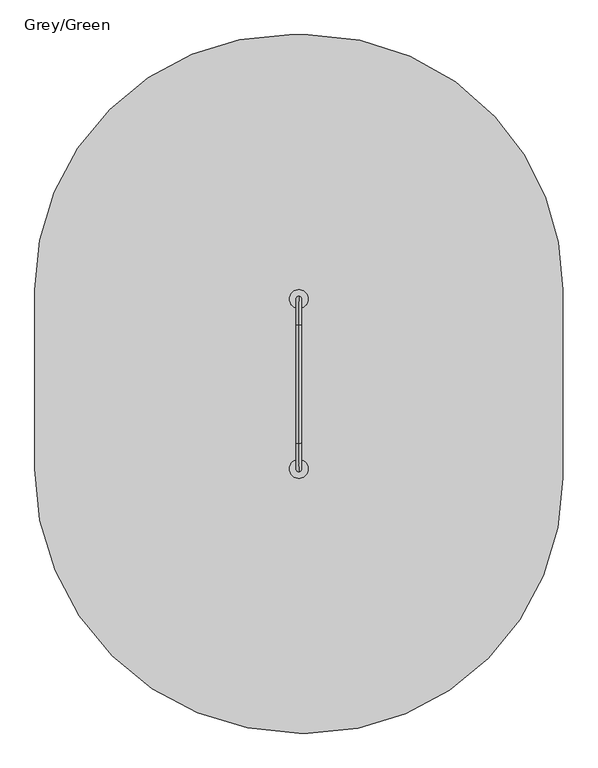
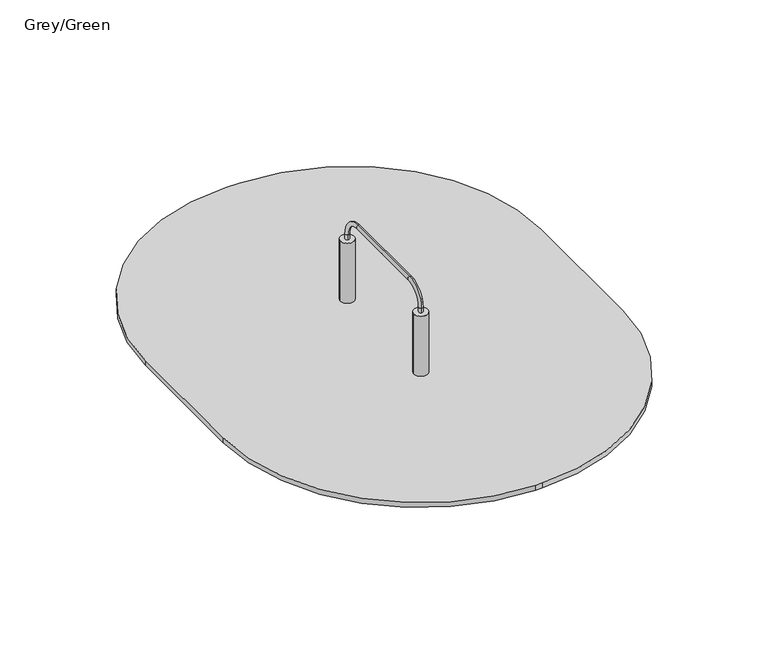
"""IFC4 building model written with IfcOpenShell, lengths in millimetres: furniture geometry, Grey/Green."""

from ifc_helpers import new_model, si_unit, point, frame, frame_2d, origin, place, context, project, spatial, polyline, circle_curve, ellipse_curve, trimmed, segment, composite_curve, outline, extrude, source, transform, mapped, element, save
from ifc_brep_helpers import plane_surface, cylinder_surface, revolved_surface, extruded_surface, advanced_brep


def grey_green_fb8099de(model_context):
    return source(origin(), model_context, "Body", "SolidModel", [
        advanced_brep(
        [(572.5, 1072.4599432, -225.0), (560.0, 1072.4599432, -225.0), (547.5, 1072.4599432, -225.0), (487.5, 1012.4599432, -225.0), (487.5, 987.4599432, -225.0), (547.5, 927.4599432, -225.0), (572.5, 927.4599432, -225.0), (632.5, 987.4599432, -225.0), (632.5, 1012.4599432, -225.0), (650.0, 1150.0, -460.0), (560.0, 1150.0, -460.0), (470.0, 1150.0, -460.0), (410.0, 1090.0, -460.0), (410.0, 910.0, -460.0), (470.0, 850.0, -460.0), (650.0, 850.0, -460.0), (710.0, 910.0, -460.0), (710.0, 1090.0, -460.0), (650.0, 1150.0, -600.0), (710.0, 1090.0, -600.0), (710.0, 910.0, -600.0), (650.0, 850.0, -600.0), (470.0, 850.0, -600.0), (410.0, 910.0, -600.0), (410.0, 1090.0, -600.0), (470.0, 1150.0, -600.0), (560.0, 1150.0, -600.0)],
        [
            (0, 1),
            (1, 2),
            (2, 3, circle_curve(frame((547.5, 1012.4599432, -225.0), z_axis=(0.0, 0.0, 1.0), x_axis=(1.0, 0.0, 0.0)), 60.0)),
            (3, 4),
            (4, 5, circle_curve(frame((547.5, 987.4599432, -225.0), z_axis=(0.0, 0.0, 1.0), x_axis=(1.0, 0.0, 0.0)), 60.0)),
            (5, 6),
            (6, 7, circle_curve(frame((572.5, 987.4599432, -225.0), z_axis=(0.0, 0.0, 1.0), x_axis=(1.0, 0.0, 0.0)), 60.0)),
            (7, 8),
            (8, 0, circle_curve(frame((572.5, 1012.4599432, -225.0), z_axis=(0.0, 0.0, 1.0), x_axis=(1.0, 0.0, 0.0)), 60.0)),
            (0, 9),
            (9, 10),
            (10, 1),
            (10, 11),
            (11, 2),
            (11, 12, circle_curve(frame((470.0, 1090.0, -460.0), z_axis=(0.0, 0.0, 1.0), x_axis=(1.0, 0.0, 0.0)), 60.0)),
            (12, 3),
            (12, 13),
            (13, 4),
            (13, 14, circle_curve(frame((470.0, 910.0, -460.0), z_axis=(0.0, 0.0, 1.0), x_axis=(1.0, 0.0, 0.0)), 60.0)),
            (14, 5),
            (14, 15),
            (15, 6),
            (15, 16, circle_curve(frame((650.0, 910.0, -460.0), z_axis=(0.0, 0.0, 1.0), x_axis=(1.0, 0.0, 0.0)), 60.0)),
            (16, 7),
            (16, 17),
            (17, 8),
            (17, 9, circle_curve(frame((650.0, 1090.0, -460.0), z_axis=(0.0, 0.0, 1.0), x_axis=(1.0, 0.0, 0.0)), 60.0)),
            (18, 19, circle_curve(frame((650.0, 1090.0, -600.0), z_axis=(0.0, 0.0, -1.0), x_axis=(1.0, 0.0, 0.0)), 60.0)),
            (19, 20),
            (20, 21, circle_curve(frame((650.0, 910.0, -600.0), z_axis=(0.0, 0.0, -1.0), x_axis=(1.0, 0.0, 0.0)), 60.0)),
            (21, 22),
            (22, 23, circle_curve(frame((470.0, 910.0, -600.0), z_axis=(0.0, 0.0, -1.0), x_axis=(1.0, 0.0, 0.0)), 60.0)),
            (23, 24),
            (24, 25, circle_curve(frame((470.0, 1090.0, -600.0), z_axis=(0.0, 0.0, -1.0), x_axis=(1.0, 0.0, 0.0)), 60.0)),
            (25, 26),
            (26, 18),
            (26, 10),
            (9, 18),
            (25, 11),
            (23, 13),
            (12, 24),
            (21, 15),
            (14, 22),
            (19, 17),
            (16, 20),
        ],
        [
            plane_surface(frame((560.0, 1008.0154988, -225.0), z_axis=(0.0, 0.0, 1.0), x_axis=(-1.0, 0.0, 0.0))),
            plane_surface(frame((566.25, 1072.4599432, -225.0), z_axis=(0.0, 0.9496406059136844, 0.3133412191204512), x_axis=(1.0, 0.0, 0.0))),
            plane_surface(frame((553.75, 1072.4599432, -225.0), z_axis=(0.0, 0.9496406059136843, 0.3133412191204512), x_axis=(1.0, 0.0, 0.0))),
            extruded_surface(trimmed(circle_curve(frame((547.5, 1012.4599432, -225.0), z_axis=(0.0, 0.0, -1.0), x_axis=(1.0, 0.0, 0.0)), 60.0), [point((487.5, 1012.4599432, -225.0))], [point((547.5, 1072.4599432, -225.0))], True, "CARTESIAN"), (-77.5, 77.5400568, -235.0), 259.3139225119763),
            plane_surface(frame((487.5, 999.9599432, -225.0), z_axis=(-0.9496887635303409, 0.0, 0.31319523052596476), x_axis=(0.0, 1.0, 0.0))),
            extruded_surface(trimmed(circle_curve(frame((547.5, 987.4599432, -225.0), z_axis=(0.0, 0.0, -1.0), x_axis=(1.0, 0.0, 0.0)), 60.0), [point((547.5, 927.4599432, -225.0))], [point((487.5, 987.4599432, -225.0))], True, "CARTESIAN"), (-77.5, -77.4599432, -235.0), 259.2899782107809),
            plane_surface(frame((560.0, 927.4599432, -225.0), z_axis=(0.0, -0.9497369035840961, 0.3130492197250991), x_axis=(-1.0, 0.0, 0.0))),
            extruded_surface(trimmed(circle_curve(frame((572.5, 987.4599432, -225.0), z_axis=(0.0, 0.0, -1.0), x_axis=(1.0, 0.0, 0.0)), 60.0), [point((632.5, 987.4599432, -225.0))], [point((572.5, 927.4599432, -225.0))], True, "CARTESIAN"), (77.5, -77.4599432, -235.0), 259.2899782107809),
            plane_surface(frame((632.5, 999.9599432, -225.0), z_axis=(0.9496887635303416, 0.0, 0.3131952305259627), x_axis=(0.0, -1.0, 0.0))),
            extruded_surface(trimmed(circle_curve(frame((572.5, 1012.4599432, -225.0), z_axis=(0.0, 0.0, -1.0), x_axis=(1.0, 0.0, 0.0)), 60.0), [point((572.5, 1072.4599432, -225.0))], [point((632.5, 1012.4599432, -225.0))], True, "CARTESIAN"), (77.5, 77.5400568, -235.0), 259.3139225119763),
            plane_surface(frame((560.0, 1150.0, -600.0), z_axis=(0.0, 0.0, -1.0), x_axis=(1.0, 0.0, 0.0))),
            plane_surface(frame((650.0, 1150.0, -460.0), z_axis=(0.0, 1.0, 0.0), x_axis=(0.0, 0.0, -1.0))),
            plane_surface(frame((560.0, 1150.0, -460.0), z_axis=(0.0, 1.0, 0.0), x_axis=(0.0, 0.0, -1.0))),
            plane_surface(frame((410.0, 1090.0, -460.0), z_axis=(-1.0, 0.0, 0.0), x_axis=(0.0, 0.0, -1.0))),
            plane_surface(frame((470.0, 850.0, -460.0), z_axis=(0.0, -1.0, 0.0), x_axis=(0.0, 0.0, -1.0))),
            plane_surface(frame((710.0, 910.0, -460.0), z_axis=(1.0, 0.0, 0.0), x_axis=(0.0, 0.0, -1.0))),
            cylinder_surface(frame((470.0, 1090.0, -600.0), z_axis=(0.0, 0.0, 1.0), x_axis=(1.0, 0.0, 0.0)), 60.0),
            cylinder_surface(frame((470.0, 910.0, -600.0), z_axis=(0.0, 0.0, 1.0), x_axis=(1.0, 0.0, 0.0)), 60.0),
            cylinder_surface(frame((650.0, 910.0, -600.0), z_axis=(0.0, 0.0, 1.0), x_axis=(1.0, 0.0, 0.0)), 60.0),
            cylinder_surface(frame((650.0, 1090.0, -600.0), z_axis=(0.0, 0.0, 1.0), x_axis=(1.0, 0.0, 0.0)), 60.0),
        ],
        [
            (0, [[1, 2, 3, 4, 5, 6, 7, 8, 9]]),
            (1, [[-1, 10, 11, 12]]),
            (2, [[-2, -12, 13, 14]]),
            (3, [[-3, -14, 15, 16]]),
            (4, [[-4, -16, 17, 18]]),
            (5, [[-5, -18, 19, 20]]),
            (6, [[-6, -20, 21, 22]]),
            (7, [[-7, -22, 23, 24]]),
            (8, [[-8, -24, 25, 26]]),
            (9, [[-9, -26, 27, -10]]),
            (10, [[28, 29, 30, 31, 32, 33, 34, 35, 36]]),
            (11, [[-36, 37, -11, 38]]),
            (12, [[-35, 39, -13, -37]]),
            (13, [[-33, 40, -17, 41]]),
            (14, [[-31, 42, -21, 43]]),
            (15, [[-29, 44, -25, 45]]),
            (16, [[-34, -41, -15, -39]]),
            (17, [[-32, -43, -19, -40]]),
            (18, [[-30, -45, -23, -42]]),
            (19, [[-28, -38, -27, -44]]),
        ],
    ),
        extrude(outline(composite_curve([segment(trimmed(circle_curve(frame_2d((560.0, 1000.0)), 55.0), [point((505.0, 1000.0))], [point((615.0, 1000.0))], False, "CARTESIAN"), True, "CONTINUOUS"), segment(trimmed(circle_curve(frame_2d((560.0, 1000.0)), 55.0), [point((615.0, 1000.0))], [point((505.0, 1000.0))], False, "CARTESIAN"), True, "CONTINUOUS")], self_intersect=False)), frame((0.0, 0.0, -600.0), z_axis=(0.0, 0.0, 1.0), x_axis=(1.0, 0.0, 0.0)), (0.0, 0.0, 1.0), 500.0),
        advanced_brep(
        [(572.5, 72.4599432, -225.0), (560.0, 72.4599432, -225.0), (547.5, 72.4599432, -225.0), (487.5, 12.4599432, -225.0), (487.5, -12.5400568, -225.0), (547.5, -72.5400568, -225.0), (572.5, -72.5400568, -225.0), (632.5, -12.5400568, -225.0), (632.5, 12.4599432, -225.0), (650.0, 150.0, -460.0), (560.0, 150.0, -460.0), (470.0, 150.0, -460.0), (410.0, 90.0, -460.0), (410.0, -90.0, -460.0), (470.0, -150.0, -460.0), (650.0, -150.0, -460.0), (710.0, -90.0, -460.0), (710.0, 90.0, -460.0), (650.0, 150.0, -600.0), (710.0, 90.0, -600.0), (710.0, -90.0, -600.0), (650.0, -150.0, -600.0), (470.0, -150.0, -600.0), (410.0, -90.0, -600.0), (410.0, 90.0, -600.0), (470.0, 150.0, -600.0), (560.0, 150.0, -600.0)],
        [
            (0, 1),
            (1, 2),
            (2, 3, circle_curve(frame((547.5, 12.4599432, -225.0), z_axis=(0.0, 0.0, 1.0), x_axis=(1.0, 0.0, 0.0)), 60.0)),
            (3, 4),
            (4, 5, circle_curve(frame((547.5, -12.5400568, -225.0), z_axis=(0.0, 0.0, 1.0), x_axis=(1.0, 0.0, 0.0)), 60.0)),
            (5, 6),
            (6, 7, circle_curve(frame((572.5, -12.5400568, -225.0), z_axis=(0.0, 0.0, 1.0), x_axis=(1.0, 0.0, 0.0)), 60.0)),
            (7, 8),
            (8, 0, circle_curve(frame((572.5, 12.4599432, -225.0), z_axis=(0.0, 0.0, 1.0), x_axis=(1.0, 0.0, 0.0)), 60.0)),
            (0, 9),
            (9, 10),
            (10, 1),
            (10, 11),
            (11, 2),
            (11, 12, circle_curve(frame((470.0, 90.0, -460.0), z_axis=(0.0, 0.0, 1.0), x_axis=(1.0, 0.0, 0.0)), 60.0)),
            (12, 3),
            (12, 13),
            (13, 4),
            (13, 14, circle_curve(frame((470.0, -90.0, -460.0), z_axis=(0.0, 0.0, 1.0), x_axis=(1.0, 0.0, 0.0)), 60.0)),
            (14, 5),
            (14, 15),
            (15, 6),
            (15, 16, circle_curve(frame((650.0, -90.0, -460.0), z_axis=(0.0, 0.0, 1.0), x_axis=(1.0, 0.0, 0.0)), 60.0)),
            (16, 7),
            (16, 17),
            (17, 8),
            (17, 9, circle_curve(frame((650.0, 90.0, -460.0), z_axis=(0.0, 0.0, 1.0), x_axis=(1.0, 0.0, 0.0)), 60.0)),
            (18, 19, circle_curve(frame((650.0, 90.0, -600.0), z_axis=(0.0, 0.0, -1.0), x_axis=(1.0, 0.0, 0.0)), 60.0)),
            (19, 20),
            (20, 21, circle_curve(frame((650.0, -90.0, -600.0), z_axis=(0.0, 0.0, -1.0), x_axis=(1.0, 0.0, 0.0)), 60.0)),
            (21, 22),
            (22, 23, circle_curve(frame((470.0, -90.0, -600.0), z_axis=(0.0, 0.0, -1.0), x_axis=(1.0, 0.0, 0.0)), 60.0)),
            (23, 24),
            (24, 25, circle_curve(frame((470.0, 90.0, -600.0), z_axis=(0.0, 0.0, -1.0), x_axis=(1.0, 0.0, 0.0)), 60.0)),
            (25, 26),
            (26, 18),
            (26, 10),
            (9, 18),
            (25, 11),
            (23, 13),
            (12, 24),
            (21, 15),
            (14, 22),
            (19, 17),
            (16, 20),
        ],
        [
            plane_surface(frame((560.0, 8.0154988, -225.0), z_axis=(0.0, 0.0, 1.0), x_axis=(-1.0, 0.0, 0.0))),
            plane_surface(frame((566.25, 72.4599432, -225.0), z_axis=(0.0, 0.9496406059136844, 0.3133412191204512), x_axis=(1.0, 0.0, 0.0))),
            plane_surface(frame((553.75, 72.4599432, -225.0), z_axis=(0.0, 0.9496406059136843, 0.3133412191204512), x_axis=(1.0, 0.0, 0.0))),
            extruded_surface(trimmed(circle_curve(frame((547.5, 12.4599432, -225.0), z_axis=(0.0, 0.0, -1.0), x_axis=(1.0, 0.0, 0.0)), 60.0), [point((487.5, 12.4599432, -225.0))], [point((547.5, 72.4599432, -225.0))], True, "CARTESIAN"), (-77.5, 77.5400568, -235.0), 259.3139225119763),
            plane_surface(frame((487.5, -0.0400568, -225.0), z_axis=(-0.9496887635303409, 0.0, 0.31319523052596476), x_axis=(0.0, 1.0, 0.0))),
            extruded_surface(trimmed(circle_curve(frame((547.5, -12.5400568, -225.0), z_axis=(0.0, 0.0, -1.0), x_axis=(1.0, 0.0, 0.0)), 60.0), [point((547.5, -72.5400568, -225.0))], [point((487.5, -12.5400568, -225.0))], True, "CARTESIAN"), (-77.5, -77.4599432, -235.0), 259.2899782107809),
            plane_surface(frame((560.0, -72.5400568, -225.0), z_axis=(0.0, -0.9497369035840961, 0.3130492197250991), x_axis=(-1.0, 0.0, 0.0))),
            extruded_surface(trimmed(circle_curve(frame((572.5, -12.5400568, -225.0), z_axis=(0.0, 0.0, -1.0), x_axis=(1.0, 0.0, 0.0)), 60.0), [point((632.5, -12.5400568, -225.0))], [point((572.5, -72.5400568, -225.0))], True, "CARTESIAN"), (77.5, -77.4599432, -235.0), 259.2899782107809),
            plane_surface(frame((632.5, -0.0400568, -225.0), z_axis=(0.9496887635303416, 0.0, 0.3131952305259627), x_axis=(0.0, -1.0, 0.0))),
            extruded_surface(trimmed(circle_curve(frame((572.5, 12.4599432, -225.0), z_axis=(0.0, 0.0, -1.0), x_axis=(1.0, 0.0, 0.0)), 60.0), [point((572.5, 72.4599432, -225.0))], [point((632.5, 12.4599432, -225.0))], True, "CARTESIAN"), (77.5, 77.5400568, -235.0), 259.3139225119763),
            plane_surface(frame((560.0, 150.0, -600.0), z_axis=(0.0, 0.0, -1.0), x_axis=(1.0, 0.0, 0.0))),
            plane_surface(frame((650.0, 150.0, -460.0), z_axis=(0.0, 1.0, 0.0), x_axis=(0.0, 0.0, -1.0))),
            plane_surface(frame((560.0, 150.0, -460.0), z_axis=(0.0, 1.0, 0.0), x_axis=(0.0, 0.0, -1.0))),
            plane_surface(frame((410.0, 90.0, -460.0), z_axis=(-1.0, 0.0, 0.0), x_axis=(0.0, 0.0, -1.0))),
            plane_surface(frame((470.0, -150.0, -460.0), z_axis=(0.0, -1.0, 0.0), x_axis=(0.0, 0.0, -1.0))),
            plane_surface(frame((710.0, -90.0, -460.0), z_axis=(1.0, 0.0, 0.0), x_axis=(0.0, 0.0, -1.0))),
            cylinder_surface(frame((470.0, 90.0, -600.0), z_axis=(0.0, 0.0, 1.0), x_axis=(1.0, 0.0, 0.0)), 60.0),
            cylinder_surface(frame((470.0, -90.0, -600.0), z_axis=(0.0, 0.0, 1.0), x_axis=(1.0, 0.0, 0.0)), 60.0),
            cylinder_surface(frame((650.0, -90.0, -600.0), z_axis=(0.0, 0.0, 1.0), x_axis=(1.0, 0.0, 0.0)), 60.0),
            cylinder_surface(frame((650.0, 90.0, -600.0), z_axis=(0.0, 0.0, 1.0), x_axis=(1.0, 0.0, 0.0)), 60.0),
        ],
        [
            (0, [[1, 2, 3, 4, 5, 6, 7, 8, 9]]),
            (1, [[-1, 10, 11, 12]]),
            (2, [[-2, -12, 13, 14]]),
            (3, [[-3, -14, 15, 16]]),
            (4, [[-4, -16, 17, 18]]),
            (5, [[-5, -18, 19, 20]]),
            (6, [[-6, -20, 21, 22]]),
            (7, [[-7, -22, 23, 24]]),
            (8, [[-8, -24, 25, 26]]),
            (9, [[-9, -26, 27, -10]]),
            (10, [[28, 29, 30, 31, 32, 33, 34, 35, 36]]),
            (11, [[-36, 37, -11, 38]]),
            (12, [[-35, 39, -13, -37]]),
            (13, [[-33, 40, -17, 41]]),
            (14, [[-31, 42, -21, 43]]),
            (15, [[-29, 44, -25, 45]]),
            (16, [[-34, -41, -15, -39]]),
            (17, [[-32, -43, -19, -40]]),
            (18, [[-30, -45, -23, -42]]),
            (19, [[-28, -38, -27, -44]]),
        ],
    ),
        extrude(outline(composite_curve([segment(trimmed(circle_curve(frame_2d((560.0, 0.0)), 55.0), [point((505.0, 0.0))], [point((615.0, 0.0))], False, "CARTESIAN"), True, "CONTINUOUS"), segment(trimmed(circle_curve(frame_2d((560.0, 0.0)), 55.0), [point((615.0, 0.0))], [point((505.0, 0.0))], False, "CARTESIAN"), True, "CONTINUOUS")], self_intersect=False)), frame((0.0, 0.0, -600.0), z_axis=(0.0, 0.0, 1.0), x_axis=(1.0, 0.0, 0.0)), (0.0, 0.0, 1.0), 500.0),
        advanced_brep(
        [(560.0, 1016.0, 500.0), (560.0, 984.0, 500.0), (560.0, 1016.0, 540.0), (560.0, 984.0, 540.0), (560.0, 850.0, 674.0), (560.0, 850.0, 706.0), (560.0, 150.0, 706.0), (560.0, 150.0, 674.0), (560.0, 16.0, 540.0), (560.0, -16.0, 540.0), (560.0, -16.0, 500.0), (560.0, 16.0, 500.0)],
        [
            (0, 1, circle_curve(frame((560.0, 1000.0, 500.0), z_axis=(0.0, 0.0, -1.0), x_axis=(0.0, -1.0, 0.0)), 16.0)),
            (1, 0, circle_curve(frame((560.0, 1000.0, 500.0), z_axis=(0.0, 0.0, -1.0), x_axis=(0.0, -1.0, 0.0)), 16.0)),
            (0, 2),
            (2, 3, circle_curve(frame((560.0, 1000.0, 540.0), z_axis=(0.0, 0.0, -1.0), x_axis=(0.0, -1.0, 0.0)), 16.0)),
            (3, 1),
            (3, 2, circle_curve(frame((560.0, 1000.0, 540.0), z_axis=(0.0, 0.0, -1.0), x_axis=(0.0, -1.0, 0.0)), 16.0)),
            (4, 3, circle_curve(frame((560.0, 850.0, 540.0), z_axis=(-1.0, 0.0, 0.0), x_axis=(0.0, 1.0, 0.0)), 134.0)),
            (2, 5, circle_curve(frame((560.0, 850.0, 540.0), z_axis=(1.0, 0.0, 0.0), x_axis=(0.0, 1.0, 0.0)), 166.0)),
            (5, 4, circle_curve(frame((560.0, 850.0, 690.0), z_axis=(0.0, 1.0, 0.0), x_axis=(0.0, 0.0, -1.0)), 16.0)),
            (4, 5, circle_curve(frame((560.0, 850.0, 690.0), z_axis=(0.0, 1.0, 0.0), x_axis=(0.0, 0.0, -1.0)), 16.0)),
            (5, 6),
            (6, 7, circle_curve(frame((560.0, 150.0, 690.0), z_axis=(0.0, 1.0, 0.0), x_axis=(0.0, 0.0, -1.0)), 16.0)),
            (7, 4),
            (7, 6, circle_curve(frame((560.0, 150.0, 690.0), z_axis=(0.0, 1.0, 0.0), x_axis=(0.0, 0.0, -1.0)), 16.0)),
            (8, 7, circle_curve(frame((560.0, 150.0, 540.0), z_axis=(-1.0, 0.0, 0.0), x_axis=(0.0, 0.0, 1.0)), 134.0)),
            (6, 9, circle_curve(frame((560.0, 150.0, 540.0), z_axis=(1.0, 0.0, 0.0), x_axis=(0.0, 0.0, 1.0)), 166.0)),
            (9, 8, circle_curve(frame((560.0, 0.0, 540.0), z_axis=(0.0, 0.0, 1.0), x_axis=(0.0, 1.0, 0.0)), 16.0)),
            (8, 9, circle_curve(frame((560.0, 0.0, 540.0), z_axis=(0.0, 0.0, 1.0), x_axis=(0.0, 1.0, 0.0)), 16.0)),
            (10, 11, circle_curve(frame((560.0, 0.0, 500.0), z_axis=(0.0, 0.0, -1.0), x_axis=(0.0, 1.0, 0.0)), 16.0)),
            (11, 10, circle_curve(frame((560.0, 0.0, 500.0), z_axis=(0.0, 0.0, -1.0), x_axis=(0.0, 1.0, 0.0)), 16.0)),
            (9, 10),
            (11, 8),
        ],
        [
            plane_surface(frame((560.0, 1000.0, 500.0), z_axis=(0.0, 0.0, -1.0), x_axis=(1.0, 0.0, 0.0))),
            cylinder_surface(frame((560.0, 1000.0, 500.0), z_axis=(0.0, 0.0, -1.0), x_axis=(0.0, -1.0, 0.0)), 16.0),
            revolved_surface(trimmed(ellipse_curve(frame((560.0, 1000.0, 540.0), z_axis=(0.0, 0.0, -1.0), x_axis=(0.0, -1.0, 0.0)), 16.0, 16.0), [point((560.0, 1016.0, 540.0))], [point((560.0, 984.0, 540.0))], True, "CARTESIAN"), (560.0, 850.0, 540.0), (1.0, 0.0, 0.0)),
            revolved_surface(trimmed(ellipse_curve(frame((560.0, 1000.0, 540.0), z_axis=(0.0, 0.0, -1.0), x_axis=(0.0, -1.0, 0.0)), 16.0, 16.0), [point((560.0, 984.0, 540.0))], [point((560.0, 1016.0, 540.0))], True, "CARTESIAN"), (560.0, 850.0, 540.0), (1.0, 0.0, 0.0)),
            cylinder_surface(frame((560.0, 850.0, 690.0), z_axis=(0.0, 1.0, 0.0), x_axis=(0.0, 0.0, -1.0)), 16.0),
            revolved_surface(trimmed(ellipse_curve(frame((560.0, 150.0, 690.0), z_axis=(0.0, 1.0, 0.0), x_axis=(0.0, 0.0, -1.0)), 16.0, 16.0), [point((560.0, 150.0, 706.0))], [point((560.0, 150.0, 674.0))], True, "CARTESIAN"), (560.0, 150.0, 540.0), (1.0, 0.0, 0.0)),
            revolved_surface(trimmed(ellipse_curve(frame((560.0, 150.0, 690.0), z_axis=(0.0, 1.0, 0.0), x_axis=(0.0, 0.0, -1.0)), 16.0, 16.0), [point((560.0, 150.0, 674.0))], [point((560.0, 150.0, 706.0))], True, "CARTESIAN"), (560.0, 150.0, 540.0), (1.0, 0.0, 0.0)),
            plane_surface(frame((560.0, 0.0, 500.0), z_axis=(0.0, 0.0, -1.0), x_axis=(1.0, 0.0, 0.0))),
            cylinder_surface(frame((560.0, 0.0, 540.0), z_axis=(0.0, 0.0, 1.0), x_axis=(0.0, 1.0, 0.0)), 16.0),
        ],
        [
            (0, [[1, 2]]),
            (1, [[-1, 3, 4, 5]]),
            (1, [[-2, -5, 6, -3]]),
            (2, [[7, -4, 8, 9]]),
            (3, [[-8, -6, -7, 10]]),
            (4, [[-9, 11, 12, 13]]),
            (4, [[-10, -13, 14, -11]]),
            (5, [[15, -12, 16, 17]]),
            (6, [[-16, -14, -15, 18]]),
            (7, [[19, 20]]),
            (8, [[-17, 21, -20, 22]]),
            (8, [[-18, -22, -19, -21]]),
        ],
    ),
        extrude(outline(composite_curve([segment(trimmed(circle_curve(frame_2d((615.0, 1055.0)), 1500.0), [point((615.0, 2555.0))], [point((1715.2325264, 2074.5530333))], False, "CARTESIAN"), True, "CONTINUOUS"), segment(trimmed(circle_curve(frame_2d((615.0, 1055.0)), 1500.0), [point((1715.2325264, 2074.5530333))], [point((2115.0, 1055.0))], False, "CARTESIAN"), True, "CONTINUOUS"), segment(polyline([(2115.0, 1055.0), (2115.0, -55.0)]), True, "CONTINUOUS"), segment(trimmed(circle_curve(frame_2d((615.0, -55.0)), 1500.0), [point((2115.0, -55.0))], [point((615.0, -1555.0))], False, "CARTESIAN"), True, "CONTINUOUS"), segment(polyline([(615.0, -1555.0), (560.0, -1555.0)]), True, "CONTINUOUS"), segment(trimmed(circle_curve(frame_2d((560.0, 0.0)), 1555.0), [point((560.0, -1555.0))], [point((-995.0, 0.0))], False, "CARTESIAN"), True, "CONTINUOUS"), segment(polyline([(-995.0, 0.0), (-995.0, 1055.0)]), True, "CONTINUOUS"), segment(trimmed(circle_curve(frame_2d((505.0, 1055.0)), 1500.0), [point((-995.0, 1055.0))], [point((505.0, 2555.0))], False, "CARTESIAN"), True, "CONTINUOUS"), segment(polyline([(505.0, 2555.0), (615.0, 2555.0)]), True, "CONTINUOUS")], self_intersect=False)), frame((0.0, 0.0, -40.0), z_axis=(0.0, 0.0, 1.0), x_axis=(1.0, 0.0, 0.0)), (0.0, 0.0, 1.0), 40.0),
        extrude(outline(composite_curve([segment(trimmed(circle_curve(frame_2d((560.0, 0.0)), 55.0), [point((505.0, 0.0))], [point((615.0, 0.0))], False, "CARTESIAN"), True, "CONTINUOUS"), segment(trimmed(circle_curve(frame_2d((560.0, 0.0)), 55.0), [point((615.0, 0.0))], [point((505.0, 0.0))], False, "CARTESIAN"), True, "CONTINUOUS")], self_intersect=False)), frame((0.0, 0.0, -100.0), z_axis=(0.0, 0.0, 1.0), x_axis=(1.0, 0.0, 0.0)), (0.0, 0.0, 1.0), 600.0),
        extrude(outline(composite_curve([segment(trimmed(circle_curve(frame_2d((560.0, 1000.0)), 55.0), [point((505.0, 1000.0))], [point((615.0, 1000.0))], False, "CARTESIAN"), True, "CONTINUOUS"), segment(trimmed(circle_curve(frame_2d((560.0, 1000.0)), 55.0), [point((615.0, 1000.0))], [point((505.0, 1000.0))], False, "CARTESIAN"), True, "CONTINUOUS")], self_intersect=False)), frame((0.0, 0.0, -100.0), z_axis=(0.0, 0.0, 1.0), x_axis=(1.0, 0.0, 0.0)), (0.0, 0.0, 1.0), 600.0),
    ])


if __name__ == "__main__":
    model = new_model("IFC4")
    model_context = context("Model", 3, world=origin())
    ifc_project = project(units=[si_unit("LENGTHUNIT", "METRE", prefix="MILLI")], contexts=[model_context])
    site = spatial("IfcSite", under=ifc_project)
    building = spatial("IfcBuilding", under=site)
    placement = place(None, origin())
    grey_green_shape = grey_green_fb8099de(model_context)
    element("IfcFurniture", 1, ObjectType="Grey/Green", at=placement, inside=building, context=model_context, shape_type="MappedRepresentation", body=[
        mapped(grey_green_shape, transform((0.0, 0.0, 0.0), x_axis=(1.0, 0.0, 0.0), y_axis=(0.0, 1.0, 0.0), z_axis=(0.0, 0.0, 1.0))),
    ])
    save(model, "model.ifc")
